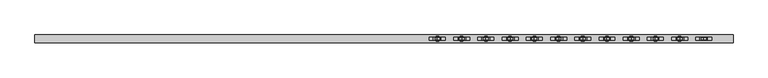
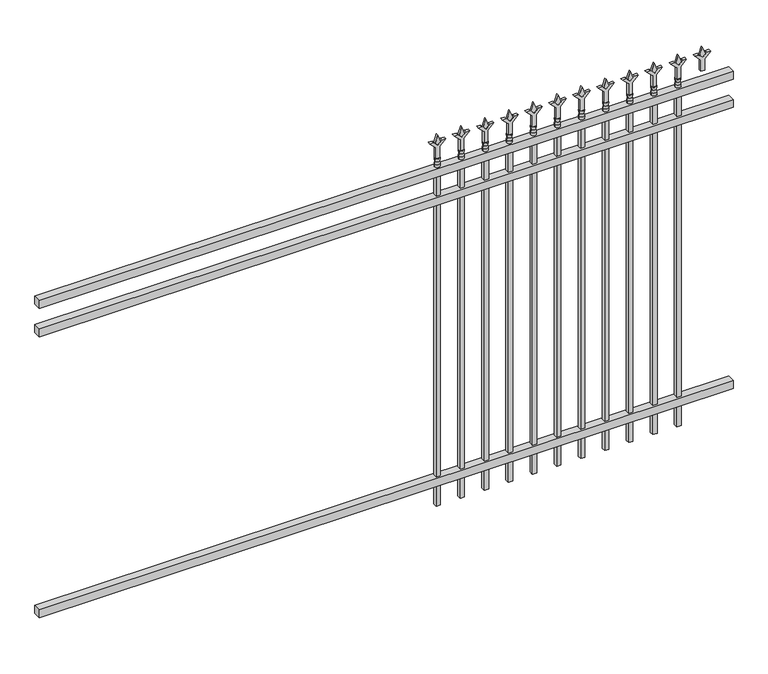
"""IFC4 building model written with IfcOpenShell, lengths in millimetres: railing geometry."""

import ifcopenshell
import ifcopenshell.guid

model = None  # the IFC model being written
_history = None  # IfcOwnerHistory: only IFC2X3 demands one
_inside = {}  # id of a spatial element -> (the spatial element, [elements in it])
_under = {}  # id of a project, library or spatial element -> (it, [spatial elements below it])
_declared = {}  # id of a project -> (the project, [libraries it declares])
_typed = {}  # id of a type object -> (the type object, [elements of that type])
_made_of = {}  # id of a material, layer set ... -> (it, [elements and type objects made of it])


def new_model(schema):
    """Start an empty IFC model of exactly this schema.

    Asked for "IFC4X3", IfcOpenShell would pick the latest addendum, in which some entities
    have other attributes; the version numbers below select the first issue.
    IFC2X3 requires an IfcOwnerHistory on every rooted entity: one is made here for all.
    """
    global model, _history
    if schema == "IFC4X3":
        model = ifcopenshell.file(schema_version=(4, 3, 0, 0))
    else:
        model = ifcopenshell.file(schema=schema)
    _inside.clear()
    _under.clear()
    _declared.clear()
    _typed.clear()
    _made_of.clear()
    _history = None
    if model.schema == "IFC2X3":
        org = make("IfcOrganization", Name="unknown")
        user = make(
            "IfcPersonAndOrganization",
            ThePerson=make("IfcPerson", FamilyName="unknown"),
            TheOrganization=org,
        )
        app = make(
            "IfcApplication",
            ApplicationDeveloper=org,
            Version="unknown",
            ApplicationFullName="unknown",
            ApplicationIdentifier="unknown",
        )
        _history = make(
            "IfcOwnerHistory",
            OwningUser=user,
            OwningApplication=app,
            ChangeAction="ADDED",
            CreationDate=0,
        )
    return model


def make(cls, **values):
    """One entity of the class cls with the attributes given. An attribute that is None is left unset."""
    return model.create_entity(
        cls, **{name: value for name, value in values.items() if value is not None}
    )


def rooted(cls, **values):
    """An entity with a GlobalId (a new one), such as an element, a storey or a relation."""
    return make(cls, GlobalId=ifcopenshell.guid.new(), OwnerHistory=_history, **values)


def si_unit(unit_type, name, prefix=None):
    """IfcSIUnit, for example si_unit("LENGTHUNIT", "METRE", prefix="MILLI")."""
    return make("IfcSIUnit", UnitType=unit_type, Prefix=prefix, Name=name)


def assignment(units):
    """IfcUnitAssignment: the units of a project."""
    return None if units is None else make("IfcUnitAssignment", Units=units)


def point(xyz):
    """IfcCartesianPoint."""
    return None if xyz is None else make("IfcCartesianPoint", Coordinates=xyz)


def direction(xyz):
    """IfcDirection."""
    return None if xyz is None else make("IfcDirection", DirectionRatios=xyz)


def frame(location, z_axis=None, x_axis=None):
    """IfcAxis2Placement3D, a coordinate frame: its origin and axes. An axis left out is left unset."""
    return make(
        "IfcAxis2Placement3D",
        Location=point(location),
        Axis=direction(z_axis),
        RefDirection=direction(x_axis),
    )


def origin():
    """The frame at (0, 0, 0) with its axes left unset."""
    return frame((0.0, 0.0, 0.0))


def place(relative_to, where):
    """IfcLocalPlacement: puts the frame where relative to a parent placement (None: the world)."""
    return make(
        "IfcLocalPlacement", PlacementRelTo=relative_to, RelativePlacement=where
    )


def context(
    kind, dimensions, precision=None, world=None, true_north=None, identifier=None
):
    """IfcGeometricRepresentationContext, for example the 3D "Model" context."""
    return make(
        "IfcGeometricRepresentationContext",
        ContextIdentifier=identifier,
        ContextType=kind,
        CoordinateSpaceDimension=dimensions,
        Precision=precision,
        WorldCoordinateSystem=world,
        TrueNorth=true_north,
    )


def project(units=None, contexts=None):
    """IfcProject with its units and contexts."""
    return rooted(
        "IfcProject",
        Name="project",
        RepresentationContexts=contexts,
        UnitsInContext=assignment(units),
    )


def spatial(cls, under=None, at=None, **own):
    """A site, building, storey or space (cls), placed at a placement, below another one or the project."""
    s = rooted(cls, ObjectPlacement=at, **own)
    if under is not None:
        _under.setdefault(under.id(), (under, []))[1].append(s)
    return s


def polyline(points):
    """IfcPolyline through the points."""
    return make("IfcPolyline", Points=[point(p) for p in points])


def circle_curve(where, radius):
    """IfcCircle in the frame where."""
    return make("IfcCircle", Position=where, Radius=radius)


def outline(outer, holes=None, kind="AREA"):
    """IfcArbitraryClosedProfileDef: a profile drawn as a closed curve; with holes, ...WithVoids."""
    if holes is None:
        return make("IfcArbitraryClosedProfileDef", ProfileType=kind, OuterCurve=outer)
    return make(
        "IfcArbitraryProfileDefWithVoids",
        ProfileType=kind,
        OuterCurve=outer,
        InnerCurves=holes,
    )


def extrude(swept, where, along, depth):
    """IfcExtrudedAreaSolid: the profile swept, set in the frame where, extruded along a direction by depth."""
    return make(
        "IfcExtrudedAreaSolid",
        SweptArea=swept,
        Position=where,
        ExtrudedDirection=direction(along),
        Depth=depth,
    )


def shape(context_of_items, identifier, shape_type, items):
    """IfcShapeRepresentation: the items that make up one representation, for example the "Body"."""
    return make(
        "IfcShapeRepresentation",
        ContextOfItems=context_of_items,
        RepresentationIdentifier=identifier,
        RepresentationType=shape_type,
        Items=items,
    )


def source(mapping_origin, context_of_items, identifier, shape_type, items):
    """IfcRepresentationMap: a shape defined once, which mapped items show again and again."""
    return make(
        "IfcRepresentationMap",
        MappingOrigin=mapping_origin,
        MappedRepresentation=shape(context_of_items, identifier, shape_type, items),
    )


def transform(
    local_origin,
    x_axis=None,
    y_axis=None,
    z_axis=None,
    scale=None,
    scale2=None,
    scale3=None,
    uniform=True,
):
    """IfcCartesianTransformationOperator3D, or its non-uniform kind. x_axis, y_axis, z_axis: its Axis1, 2, 3."""
    if uniform:
        return make(
            "IfcCartesianTransformationOperator3D",
            Axis1=direction(x_axis),
            Axis2=direction(y_axis),
            LocalOrigin=point(local_origin),
            Scale=scale,
            Axis3=direction(z_axis),
        )
    return make(
        "IfcCartesianTransformationOperator3DnonUniform",
        Axis1=direction(x_axis),
        Axis2=direction(y_axis),
        LocalOrigin=point(local_origin),
        Scale=scale,
        Axis3=direction(z_axis),
        Scale2=scale2,
        Scale3=scale3,
    )


def mapped(mapping_source, mapping_target):
    """IfcMappedItem: shows the shape of a source again, moved by a transform."""
    return make(
        "IfcMappedItem", MappingSource=mapping_source, MappingTarget=mapping_target
    )


def made_of(thing, what):
    """Note that an element or type object is made of a material, layer set ...; save() writes the relation."""
    if what is not None:
        _made_of.setdefault(what.id(), (what, []))[1].append(thing)
    return thing


def element(
    cls,
    number,
    at=None,
    inside=None,
    cuts=None,
    type_object=None,
    material=None,
    context=None,
    identifier="Body",
    shape_type=None,
    held_by="IfcProductDefinitionShape",
    body=None,
    shapes=None,
    **own,
):
    """One element of the class cls, such as IfcWall. Its Tag is "e" and its number.

    at: its placement. inside: the storey or other place that contains it. cuts: it is an
    opening in that element (IfcRelVoidsElement). A single representation is given by context,
    identifier, shape_type and body (its items); several are given by shapes. held_by: the class
    of the entity that holds the representations. save() writes the other relations.
    """
    e = rooted(cls, Tag="e%d" % number, ObjectPlacement=at, **own)
    if body is not None:
        shapes = [shape(context, identifier, shape_type, body)]
    if shapes is not None:
        e.Representation = make(held_by, Representations=shapes)
    if inside is not None:
        _inside.setdefault(inside.id(), (inside, []))[1].append(e)
    if cuts is not None:
        rooted(
            "IfcRelVoidsElement", RelatingBuildingElement=cuts, RelatedOpeningElement=e
        )
    if type_object is not None:
        _typed.setdefault(type_object.id(), (type_object, []))[1].append(e)
    return made_of(e, material)


def aggregate(whole, parts):
    """IfcRelAggregates: a whole, such as a stair, and the parts it consists of."""
    return rooted("IfcRelAggregates", RelatingObject=whole, RelatedObjects=parts)


def save(model, path):
    """Write the relations noted so far, then the file.

    IfcRelAggregates (storeys below a building ...), IfcRelContainedInSpatialStructure (elements
    in a storey), IfcRelDefinesByType, IfcRelAssociatesMaterial and IfcRelDeclares: one each for
    every whole, place, type object, material and project.
    """
    for whole, parts in _under.values():
        aggregate(whole, parts)
    for where, things in _inside.values():
        rooted(
            "IfcRelContainedInSpatialStructure",
            RelatedElements=things,
            RelatingStructure=where,
        )
    for kind, things in _typed.values():
        rooted("IfcRelDefinesByType", RelatedObjects=things, RelatingType=kind)
    for what, things in _made_of.values():
        rooted("IfcRelAssociatesMaterial", RelatedObjects=things, RelatingMaterial=what)
    for by, libraries in _declared.values():
        rooted("IfcRelDeclares", RelatingContext=by, RelatedDefinitions=libraries)
    model.write(path)


def plane_surface(at):
    """IfcPlane: the flat surface through the origin of the frame at, square to its z axis."""
    return make("IfcPlane", Position=at)


def cylinder_surface(at, radius):
    """IfcCylindricalSurface: all points at the distance radius from the z axis of the frame at."""
    return make("IfcCylindricalSurface", Position=at, Radius=radius)


def revolved_surface(curve, axis_point, axis_direction):
    """IfcSurfaceOfRevolution: the curve turned about the line through axis_point along axis_direction."""
    return make(
        "IfcSurfaceOfRevolution",
        SweptCurve=make("IfcArbitraryOpenProfileDef", ProfileType="CURVE", Curve=curve),
        AxisPosition=make("IfcAxis1Placement", Location=point(axis_point), Axis=direction(axis_direction)),
    )


def advanced_brep(points, edges, surfaces, faces):
    """IfcAdvancedBrep: a solid bounded by faces that lie on surfaces and meet in shared edges.

    An edge is (start, end): straight between two places in points (the first is 0);
    or (start, end, curve); or (start, end, curve, False) where it runs against its curve.
    A face is (place in surfaces, loops), or (place, loops, False) where it looks against
    its surface's normal. A loop lists edges by number (the first is 1), with a minus sign
    where the edge is run from its end to its start. The first loop is the outer one.
    """
    corners = [point(p) for p in points]
    vertices = [make("IfcVertexPoint", VertexGeometry=c) for c in corners]
    made = []
    for start, end, *more in edges:
        made.append(
            make(
                "IfcEdgeCurve",
                EdgeStart=vertices[start],
                EdgeEnd=vertices[end],
                EdgeGeometry=more[0] if more else make("IfcPolyline", Points=[corners[start], corners[end]]),
                SameSense=more[1] if len(more) > 1 else True,
            )
        )
    hull = []
    for where, loops, *sense in faces:
        bounds = []
        for j, loop in enumerate(loops):
            ring = [make("IfcOrientedEdge", EdgeElement=made[abs(k) - 1], Orientation=k > 0) for k in loop]
            bounds.append(
                make(
                    "IfcFaceOuterBound" if j == 0 else "IfcFaceBound",
                    Bound=make("IfcEdgeLoop", EdgeList=ring),
                    Orientation=True,
                )
            )
        hull.append(make("IfcAdvancedFace", Bounds=bounds, FaceSurface=surfaces[where], SameSense=sense[0] if sense else True))
    return make("IfcAdvancedBrep", Outer=make("IfcClosedShell", CfsFaces=hull))


def railing_673651c0(model_context):
    return source(origin(), model_context, "Body", "SolidModel", [
        extrude(outline(polyline([(-67441.318087, -3091.1195174), (-67441.318087, -3056.1945174), (-64291.718087, -3056.1945174), (-64291.718087, -3091.1195174), (-67441.318087, -3091.1195174)])), frame((0.0, 0.0, 1638.3), z_axis=(0.0, 0.0, 1.0), x_axis=(1.0, 0.0, 0.0)), (0.0, 0.0, 1.0), 38.1),
        extrude(outline(polyline([(-67441.318087, -3091.1195174), (-67441.318087, -3056.1945174), (-64291.718087, -3056.1945174), (-64291.718087, -3091.1195174), (-67441.318087, -3091.1195174)])), frame((0.0, 0.0, 1501.775), z_axis=(0.0, 0.0, 1.0), x_axis=(1.0, 0.0, 0.0)), (0.0, 0.0, 1.0), 38.1),
        extrude(outline(polyline([(-67441.318087, -3091.1195174), (-67441.318087, -3056.1945174), (-64291.718087, -3056.1945174), (-64291.718087, -3091.1195174), (-67441.318087, -3091.1195174)])), frame((0.0, 0.0, 152.4), z_axis=(0.0, 0.0, 1.0), x_axis=(1.0, 0.0, 0.0)), (0.0, 0.0, 1.0), 38.1),
        extrude(outline(polyline([(1793.08125, -64520.8472536), (1828.8, -64532.7535036), (1793.08125, -64544.6597536), (1781.175, -64532.7535036), (1793.08125, -64520.8472536)])), frame((0.0, -3078.4195174, 0.0), z_axis=(0.0, 1.0, 0.0), x_axis=(0.0, 0.0, 1.0)), (0.0, 0.0, 1.0), 9.525),
        extrude(outline(polyline([(1717.675, -64524.0222536), (1771.9457378, -64524.0222536), (1799.1355122, -64496.8324791), (1799.1355122, -64514.7929914), (1781.175, -64532.7535036), (1799.1355122, -64550.7140159), (1799.1355122, -64568.6745281), (1771.9457378, -64541.4847536), (1717.675, -64541.4847536), (1717.675, -64524.0222536)])), frame((0.0, -3080.0070174, 0.0), z_axis=(0.0, 1.0, 0.0), x_axis=(0.0, 0.0, 1.0)), (0.0, 0.0, 1.0), 12.7),
        advanced_brep(
        [(-64520.8472536, -3073.6570174, 1689.1), (-64544.6597536, -3073.6570174, 1689.1), (-64544.6597536, -3073.6570174, 1676.4), (-64520.8472536, -3073.6570174, 1676.4), (-64523.0525855, -3073.6570174, 1701.6070585), (-64542.4544218, -3073.6570174, 1701.6070585), (-64520.8472536, -3073.6570174, 1717.675), (-64544.6597536, -3073.6570174, 1717.675), (-64532.7535036, -3073.6570174, 1717.675), (-64532.7535036, -3073.6570174, 1676.4)],
        [
            (0, 1, circle_curve(frame((-64532.7535036, -3073.6570174, 1689.1), z_axis=(0.0, 0.0, -1.0), x_axis=(-1.0, 0.0, 0.0)), 11.90625)),
            (1, 2),
            (2, 3, circle_curve(frame((-64532.7535036, -3073.6570174, 1676.4), z_axis=(0.0, 0.0, 1.0), x_axis=(-1.0, 0.0, 0.0)), 11.90625)),
            (3, 0),
            (1, 0, circle_curve(frame((-64532.7535036, -3073.6570174, 1689.1), z_axis=(0.0, 0.0, -1.0), x_axis=(-1.0, 0.0, 0.0)), 11.90625)),
            (3, 2, circle_curve(frame((-64532.7535036, -3073.6570174, 1676.4), z_axis=(0.0, 0.0, 1.0), x_axis=(-1.0, 0.0, 0.0)), 11.90625)),
            (4, 5, circle_curve(frame((-64532.7535036, -3073.6570174, 1701.6070585), z_axis=(0.0, 0.0, -1.0), x_axis=(-1.0, 0.0, 0.0)), 9.7009181)),
            (5, 1),
            (0, 4),
            (5, 4, circle_curve(frame((-64532.7535036, -3073.6570174, 1701.6070585), z_axis=(0.0, 0.0, -1.0), x_axis=(-1.0, 0.0, 0.0)), 9.7009181)),
            (6, 7, circle_curve(frame((-64532.7535036, -3073.6570174, 1717.675), z_axis=(0.0, 0.0, -1.0), x_axis=(-1.0, 0.0, 0.0)), 11.90625)),
            (7, 5),
            (4, 6),
            (7, 6, circle_curve(frame((-64532.7535036, -3073.6570174, 1717.675), z_axis=(0.0, 0.0, -1.0), x_axis=(-1.0, 0.0, 0.0)), 11.90625)),
            (8, 7),
            (6, 8),
            (2, 9),
            (9, 3),
        ],
        [
            cylinder_surface(frame((-64532.7535036, -3073.6570174, 1676.4), z_axis=(0.0, 0.0, 1.0), x_axis=(-1.0, 0.0, 0.0)), 11.90625),
            revolved_surface(polyline([(-64544.6597536, -3073.6570174, 1689.1), (-64542.4544218, -3073.6570174, 1701.6070585)]), (-64532.7535036, -3073.6570174, 1676.4), (0.0, 0.0, 1.0)),
            revolved_surface(polyline([(-64542.4544218, -3073.6570174, 1701.6070585), (-64544.6597536, -3073.6570174, 1717.675)]), (-64532.7535036, -3073.6570174, 1676.4), (0.0, 0.0, 1.0)),
            plane_surface(frame((-64532.7535036, -3073.6570174, 1717.675), z_axis=(0.0, 0.0, 1.0), x_axis=(-1.0, 0.0, 0.0))),
            plane_surface(frame((-64532.7535036, -3073.6570174, 1676.4), z_axis=(0.0, 0.0, -1.0), x_axis=(-1.0, 0.0, 0.0))),
        ],
        [
            (0, [[1, 2, 3, 4]]),
            (0, [[5, -4, 6, -2]]),
            (1, [[7, 8, -1, 9]]),
            (1, [[10, -9, -5, -8]]),
            (2, [[11, 12, -7, 13]]),
            (2, [[14, -13, -10, -12]]),
            (3, [[15, -11, 16]]),
            (3, [[-16, -14, -15]]),
            (4, [[-3, 17, 18]]),
            (4, [[-6, -18, -17]]),
        ],
    ),
        extrude(outline(polyline([(-64542.2785036, -3064.1320174), (-64523.2285036, -3064.1320174), (-64523.2285036, -3083.1820174), (-64542.2785036, -3083.1820174), (-64542.2785036, -3064.1320174)])), frame((0.0, 0.0, 50.8), z_axis=(0.0, 0.0, 1.0), x_axis=(1.0, 0.0, 0.0)), (0.0, 0.0, 1.0), 1625.6),
        extrude(outline(polyline([(1793.08125, -64630.1201703), (1828.8, -64642.0264203), (1793.08125, -64653.9326703), (1781.175, -64642.0264203), (1793.08125, -64630.1201703)])), frame((0.0, -3078.4195174, 0.0), z_axis=(0.0, 1.0, 0.0), x_axis=(0.0, 0.0, 1.0)), (0.0, 0.0, 1.0), 9.525),
        extrude(outline(polyline([(1717.675, -64633.2951703), (1771.9457378, -64633.2951703), (1799.1355122, -64606.1053958), (1799.1355122, -64624.0659081), (1781.175, -64642.0264203), (1799.1355122, -64659.9869325), (1799.1355122, -64677.9474448), (1771.9457378, -64650.7576703), (1717.675, -64650.7576703), (1717.675, -64633.2951703)])), frame((0.0, -3080.0070174, 0.0), z_axis=(0.0, 1.0, 0.0), x_axis=(0.0, 0.0, 1.0)), (0.0, 0.0, 1.0), 12.7),
        advanced_brep(
        [(-64630.1201703, -3073.6570174, 1689.1), (-64653.9326703, -3073.6570174, 1689.1), (-64653.9326703, -3073.6570174, 1676.4), (-64630.1201703, -3073.6570174, 1676.4), (-64632.3255022, -3073.6570174, 1701.6070585), (-64651.7273384, -3073.6570174, 1701.6070585), (-64630.1201703, -3073.6570174, 1717.675), (-64653.9326703, -3073.6570174, 1717.675), (-64642.0264203, -3073.6570174, 1717.675), (-64642.0264203, -3073.6570174, 1676.4)],
        [
            (0, 1, circle_curve(frame((-64642.0264203, -3073.6570174, 1689.1), z_axis=(0.0, 0.0, -1.0), x_axis=(-1.0, 0.0, 0.0)), 11.90625)),
            (1, 2),
            (2, 3, circle_curve(frame((-64642.0264203, -3073.6570174, 1676.4), z_axis=(0.0, 0.0, 1.0), x_axis=(-1.0, 0.0, 0.0)), 11.90625)),
            (3, 0),
            (1, 0, circle_curve(frame((-64642.0264203, -3073.6570174, 1689.1), z_axis=(0.0, 0.0, -1.0), x_axis=(-1.0, 0.0, 0.0)), 11.90625)),
            (3, 2, circle_curve(frame((-64642.0264203, -3073.6570174, 1676.4), z_axis=(0.0, 0.0, 1.0), x_axis=(-1.0, 0.0, 0.0)), 11.90625)),
            (4, 5, circle_curve(frame((-64642.0264203, -3073.6570174, 1701.6070585), z_axis=(0.0, 0.0, -1.0), x_axis=(-1.0, 0.0, 0.0)), 9.7009181)),
            (5, 1),
            (0, 4),
            (5, 4, circle_curve(frame((-64642.0264203, -3073.6570174, 1701.6070585), z_axis=(0.0, 0.0, -1.0), x_axis=(-1.0, 0.0, 0.0)), 9.7009181)),
            (6, 7, circle_curve(frame((-64642.0264203, -3073.6570174, 1717.675), z_axis=(0.0, 0.0, -1.0), x_axis=(-1.0, 0.0, 0.0)), 11.90625)),
            (7, 5),
            (4, 6),
            (7, 6, circle_curve(frame((-64642.0264203, -3073.6570174, 1717.675), z_axis=(0.0, 0.0, -1.0), x_axis=(-1.0, 0.0, 0.0)), 11.90625)),
            (8, 7),
            (6, 8),
            (2, 9),
            (9, 3),
        ],
        [
            cylinder_surface(frame((-64642.0264203, -3073.6570174, 1676.4), z_axis=(0.0, 0.0, 1.0), x_axis=(-1.0, 0.0, 0.0)), 11.90625),
            revolved_surface(polyline([(-64653.9326703, -3073.6570174, 1689.1), (-64651.7273384, -3073.6570174, 1701.6070585)]), (-64642.0264203, -3073.6570174, 1676.4), (0.0, 0.0, 1.0)),
            revolved_surface(polyline([(-64651.7273384, -3073.6570174, 1701.6070585), (-64653.9326703, -3073.6570174, 1717.675)]), (-64642.0264203, -3073.6570174, 1676.4), (0.0, 0.0, 1.0)),
            plane_surface(frame((-64642.0264203, -3073.6570174, 1717.675), z_axis=(0.0, 0.0, 1.0), x_axis=(-1.0, 0.0, 0.0))),
            plane_surface(frame((-64642.0264203, -3073.6570174, 1676.4), z_axis=(0.0, 0.0, -1.0), x_axis=(-1.0, 0.0, 0.0))),
        ],
        [
            (0, [[1, 2, 3, 4]]),
            (0, [[5, -4, 6, -2]]),
            (1, [[7, 8, -1, 9]]),
            (1, [[10, -9, -5, -8]]),
            (2, [[11, 12, -7, 13]]),
            (2, [[14, -13, -10, -12]]),
            (3, [[15, -11, 16]]),
            (3, [[-16, -14, -15]]),
            (4, [[-3, 17, 18]]),
            (4, [[-6, -18, -17]]),
        ],
    ),
        extrude(outline(polyline([(-64651.5514203, -3064.1320174), (-64632.5014203, -3064.1320174), (-64632.5014203, -3083.1820174), (-64651.5514203, -3083.1820174), (-64651.5514203, -3064.1320174)])), frame((0.0, 0.0, 50.8), z_axis=(0.0, 0.0, 1.0), x_axis=(1.0, 0.0, 0.0)), (0.0, 0.0, 1.0), 1625.6),
        extrude(outline(polyline([(1793.08125, -64739.393087), (1828.8, -64751.299337), (1793.08125, -64763.205587), (1781.175, -64751.299337), (1793.08125, -64739.393087)])), frame((0.0, -3078.4195174, 0.0), z_axis=(0.0, 1.0, 0.0), x_axis=(0.0, 0.0, 1.0)), (0.0, 0.0, 1.0), 9.525),
        extrude(outline(polyline([(1717.675, -64742.568087), (1771.9457378, -64742.568087), (1799.1355122, -64715.3783125), (1799.1355122, -64733.3388247), (1781.175, -64751.299337), (1799.1355122, -64769.2598492), (1799.1355122, -64787.2203614), (1771.9457378, -64760.030587), (1717.675, -64760.030587), (1717.675, -64742.568087)])), frame((0.0, -3080.0070174, 0.0), z_axis=(0.0, 1.0, 0.0), x_axis=(0.0, 0.0, 1.0)), (0.0, 0.0, 1.0), 12.7),
        advanced_brep(
        [(-64739.393087, -3073.6570174, 1689.1), (-64763.205587, -3073.6570174, 1689.1), (-64763.205587, -3073.6570174, 1676.4), (-64739.393087, -3073.6570174, 1676.4), (-64741.5984188, -3073.6570174, 1701.6070585), (-64761.0002551, -3073.6570174, 1701.6070585), (-64739.393087, -3073.6570174, 1717.675), (-64763.205587, -3073.6570174, 1717.675), (-64751.299337, -3073.6570174, 1717.675), (-64751.299337, -3073.6570174, 1676.4)],
        [
            (0, 1, circle_curve(frame((-64751.299337, -3073.6570174, 1689.1), z_axis=(0.0, 0.0, -1.0), x_axis=(-1.0, 0.0, 0.0)), 11.90625)),
            (1, 2),
            (2, 3, circle_curve(frame((-64751.299337, -3073.6570174, 1676.4), z_axis=(0.0, 0.0, 1.0), x_axis=(-1.0, 0.0, 0.0)), 11.90625)),
            (3, 0),
            (1, 0, circle_curve(frame((-64751.299337, -3073.6570174, 1689.1), z_axis=(0.0, 0.0, -1.0), x_axis=(-1.0, 0.0, 0.0)), 11.90625)),
            (3, 2, circle_curve(frame((-64751.299337, -3073.6570174, 1676.4), z_axis=(0.0, 0.0, 1.0), x_axis=(-1.0, 0.0, 0.0)), 11.90625)),
            (4, 5, circle_curve(frame((-64751.299337, -3073.6570174, 1701.6070585), z_axis=(0.0, 0.0, -1.0), x_axis=(-1.0, 0.0, 0.0)), 9.7009181)),
            (5, 1),
            (0, 4),
            (5, 4, circle_curve(frame((-64751.299337, -3073.6570174, 1701.6070585), z_axis=(0.0, 0.0, -1.0), x_axis=(-1.0, 0.0, 0.0)), 9.7009181)),
            (6, 7, circle_curve(frame((-64751.299337, -3073.6570174, 1717.675), z_axis=(0.0, 0.0, -1.0), x_axis=(-1.0, 0.0, 0.0)), 11.90625)),
            (7, 5),
            (4, 6),
            (7, 6, circle_curve(frame((-64751.299337, -3073.6570174, 1717.675), z_axis=(0.0, 0.0, -1.0), x_axis=(-1.0, 0.0, 0.0)), 11.90625)),
            (8, 7),
            (6, 8),
            (2, 9),
            (9, 3),
        ],
        [
            cylinder_surface(frame((-64751.299337, -3073.6570174, 1676.4), z_axis=(0.0, 0.0, 1.0), x_axis=(-1.0, 0.0, 0.0)), 11.90625),
            revolved_surface(polyline([(-64763.205587, -3073.6570174, 1689.1), (-64761.0002551, -3073.6570174, 1701.6070585)]), (-64751.299337, -3073.6570174, 1676.4), (0.0, 0.0, 1.0)),
            revolved_surface(polyline([(-64761.0002551, -3073.6570174, 1701.6070585), (-64763.205587, -3073.6570174, 1717.675)]), (-64751.299337, -3073.6570174, 1676.4), (0.0, 0.0, 1.0)),
            plane_surface(frame((-64751.299337, -3073.6570174, 1717.675), z_axis=(0.0, 0.0, 1.0), x_axis=(-1.0, 0.0, 0.0))),
            plane_surface(frame((-64751.299337, -3073.6570174, 1676.4), z_axis=(0.0, 0.0, -1.0), x_axis=(-1.0, 0.0, 0.0))),
        ],
        [
            (0, [[1, 2, 3, 4]]),
            (0, [[5, -4, 6, -2]]),
            (1, [[7, 8, -1, 9]]),
            (1, [[10, -9, -5, -8]]),
            (2, [[11, 12, -7, 13]]),
            (2, [[14, -13, -10, -12]]),
            (3, [[15, -11, 16]]),
            (3, [[-16, -14, -15]]),
            (4, [[-3, 17, 18]]),
            (4, [[-6, -18, -17]]),
        ],
    ),
        extrude(outline(polyline([(-64760.824337, -3064.1320174), (-64741.774337, -3064.1320174), (-64741.774337, -3083.1820174), (-64760.824337, -3083.1820174), (-64760.824337, -3064.1320174)])), frame((0.0, 0.0, 50.8), z_axis=(0.0, 0.0, 1.0), x_axis=(1.0, 0.0, 0.0)), (0.0, 0.0, 1.0), 1625.6),
        extrude(outline(polyline([(1793.08125, -64848.6660036), (1828.8, -64860.5722536), (1793.08125, -64872.4785036), (1781.175, -64860.5722536), (1793.08125, -64848.6660036)])), frame((0.0, -3078.4195174, 0.0), z_axis=(0.0, 1.0, 0.0), x_axis=(0.0, 0.0, 1.0)), (0.0, 0.0, 1.0), 9.525),
        extrude(outline(polyline([(1717.675, -64851.8410036), (1771.9457378, -64851.8410036), (1799.1355122, -64824.6512291), (1799.1355122, -64842.6117414), (1781.175, -64860.5722536), (1799.1355122, -64878.5327659), (1799.1355122, -64896.4932781), (1771.9457378, -64869.3035036), (1717.675, -64869.3035036), (1717.675, -64851.8410036)])), frame((0.0, -3080.0070174, 0.0), z_axis=(0.0, 1.0, 0.0), x_axis=(0.0, 0.0, 1.0)), (0.0, 0.0, 1.0), 12.7),
        advanced_brep(
        [(-64848.6660036, -3073.6570174, 1689.1), (-64872.4785036, -3073.6570174, 1689.1), (-64872.4785036, -3073.6570174, 1676.4), (-64848.6660036, -3073.6570174, 1676.4), (-64850.8713355, -3073.6570174, 1701.6070585), (-64870.2731718, -3073.6570174, 1701.6070585), (-64848.6660036, -3073.6570174, 1717.675), (-64872.4785036, -3073.6570174, 1717.675), (-64860.5722536, -3073.6570174, 1717.675), (-64860.5722536, -3073.6570174, 1676.4)],
        [
            (0, 1, circle_curve(frame((-64860.5722536, -3073.6570174, 1689.1), z_axis=(0.0, 0.0, -1.0), x_axis=(-1.0, 0.0, 0.0)), 11.90625)),
            (1, 2),
            (2, 3, circle_curve(frame((-64860.5722536, -3073.6570174, 1676.4), z_axis=(0.0, 0.0, 1.0), x_axis=(-1.0, 0.0, 0.0)), 11.90625)),
            (3, 0),
            (1, 0, circle_curve(frame((-64860.5722536, -3073.6570174, 1689.1), z_axis=(0.0, 0.0, -1.0), x_axis=(-1.0, 0.0, 0.0)), 11.90625)),
            (3, 2, circle_curve(frame((-64860.5722536, -3073.6570174, 1676.4), z_axis=(0.0, 0.0, 1.0), x_axis=(-1.0, 0.0, 0.0)), 11.90625)),
            (4, 5, circle_curve(frame((-64860.5722536, -3073.6570174, 1701.6070585), z_axis=(0.0, 0.0, -1.0), x_axis=(-1.0, 0.0, 0.0)), 9.7009181)),
            (5, 1),
            (0, 4),
            (5, 4, circle_curve(frame((-64860.5722536, -3073.6570174, 1701.6070585), z_axis=(0.0, 0.0, -1.0), x_axis=(-1.0, 0.0, 0.0)), 9.7009181)),
            (6, 7, circle_curve(frame((-64860.5722536, -3073.6570174, 1717.675), z_axis=(0.0, 0.0, -1.0), x_axis=(-1.0, 0.0, 0.0)), 11.90625)),
            (7, 5),
            (4, 6),
            (7, 6, circle_curve(frame((-64860.5722536, -3073.6570174, 1717.675), z_axis=(0.0, 0.0, -1.0), x_axis=(-1.0, 0.0, 0.0)), 11.90625)),
            (8, 7),
            (6, 8),
            (2, 9),
            (9, 3),
        ],
        [
            cylinder_surface(frame((-64860.5722536, -3073.6570174, 1676.4), z_axis=(0.0, 0.0, 1.0), x_axis=(-1.0, 0.0, 0.0)), 11.90625),
            revolved_surface(polyline([(-64872.4785036, -3073.6570174, 1689.1), (-64870.2731718, -3073.6570174, 1701.6070585)]), (-64860.5722536, -3073.6570174, 1676.4), (0.0, 0.0, 1.0)),
            revolved_surface(polyline([(-64870.2731718, -3073.6570174, 1701.6070585), (-64872.4785036, -3073.6570174, 1717.675)]), (-64860.5722536, -3073.6570174, 1676.4), (0.0, 0.0, 1.0)),
            plane_surface(frame((-64860.5722536, -3073.6570174, 1717.675), z_axis=(0.0, 0.0, 1.0), x_axis=(-1.0, 0.0, 0.0))),
            plane_surface(frame((-64860.5722536, -3073.6570174, 1676.4), z_axis=(0.0, 0.0, -1.0), x_axis=(-1.0, 0.0, 0.0))),
        ],
        [
            (0, [[1, 2, 3, 4]]),
            (0, [[5, -4, 6, -2]]),
            (1, [[7, 8, -1, 9]]),
            (1, [[10, -9, -5, -8]]),
            (2, [[11, 12, -7, 13]]),
            (2, [[14, -13, -10, -12]]),
            (3, [[15, -11, 16]]),
            (3, [[-16, -14, -15]]),
            (4, [[-3, 17, 18]]),
            (4, [[-6, -18, -17]]),
        ],
    ),
        extrude(outline(polyline([(-64870.0972536, -3064.1320174), (-64851.0472536, -3064.1320174), (-64851.0472536, -3083.1820174), (-64870.0972536, -3083.1820174), (-64870.0972536, -3064.1320174)])), frame((0.0, 0.0, 50.8), z_axis=(0.0, 0.0, 1.0), x_axis=(1.0, 0.0, 0.0)), (0.0, 0.0, 1.0), 1625.6),
        extrude(outline(polyline([(1793.08125, -64957.9389203), (1828.8, -64969.8451703), (1793.08125, -64981.7514203), (1781.175, -64969.8451703), (1793.08125, -64957.9389203)])), frame((0.0, -3078.4195174, 0.0), z_axis=(0.0, 1.0, 0.0), x_axis=(0.0, 0.0, 1.0)), (0.0, 0.0, 1.0), 9.525),
        extrude(outline(polyline([(1717.675, -64961.1139203), (1771.9457378, -64961.1139203), (1799.1355122, -64933.9241458), (1799.1355122, -64951.8846581), (1781.175, -64969.8451703), (1799.1355122, -64987.8056825), (1799.1355122, -65005.7661948), (1771.9457378, -64978.5764203), (1717.675, -64978.5764203), (1717.675, -64961.1139203)])), frame((0.0, -3080.0070174, 0.0), z_axis=(0.0, 1.0, 0.0), x_axis=(0.0, 0.0, 1.0)), (0.0, 0.0, 1.0), 12.7),
        advanced_brep(
        [(-64957.9389203, -3073.6570174, 1689.1), (-64981.7514203, -3073.6570174, 1689.1), (-64981.7514203, -3073.6570174, 1676.4), (-64957.9389203, -3073.6570174, 1676.4), (-64960.1442522, -3073.6570174, 1701.6070585), (-64979.5460884, -3073.6570174, 1701.6070585), (-64957.9389203, -3073.6570174, 1717.675), (-64981.7514203, -3073.6570174, 1717.675), (-64969.8451703, -3073.6570174, 1717.675), (-64969.8451703, -3073.6570174, 1676.4)],
        [
            (0, 1, circle_curve(frame((-64969.8451703, -3073.6570174, 1689.1), z_axis=(0.0, 0.0, -1.0), x_axis=(-1.0, 0.0, 0.0)), 11.90625)),
            (1, 2),
            (2, 3, circle_curve(frame((-64969.8451703, -3073.6570174, 1676.4), z_axis=(0.0, 0.0, 1.0), x_axis=(-1.0, 0.0, 0.0)), 11.90625)),
            (3, 0),
            (1, 0, circle_curve(frame((-64969.8451703, -3073.6570174, 1689.1), z_axis=(0.0, 0.0, -1.0), x_axis=(-1.0, 0.0, 0.0)), 11.90625)),
            (3, 2, circle_curve(frame((-64969.8451703, -3073.6570174, 1676.4), z_axis=(0.0, 0.0, 1.0), x_axis=(-1.0, 0.0, 0.0)), 11.90625)),
            (4, 5, circle_curve(frame((-64969.8451703, -3073.6570174, 1701.6070585), z_axis=(0.0, 0.0, -1.0), x_axis=(-1.0, 0.0, 0.0)), 9.7009181)),
            (5, 1),
            (0, 4),
            (5, 4, circle_curve(frame((-64969.8451703, -3073.6570174, 1701.6070585), z_axis=(0.0, 0.0, -1.0), x_axis=(-1.0, 0.0, 0.0)), 9.7009181)),
            (6, 7, circle_curve(frame((-64969.8451703, -3073.6570174, 1717.675), z_axis=(0.0, 0.0, -1.0), x_axis=(-1.0, 0.0, 0.0)), 11.90625)),
            (7, 5),
            (4, 6),
            (7, 6, circle_curve(frame((-64969.8451703, -3073.6570174, 1717.675), z_axis=(0.0, 0.0, -1.0), x_axis=(-1.0, 0.0, 0.0)), 11.90625)),
            (8, 7),
            (6, 8),
            (2, 9),
            (9, 3),
        ],
        [
            cylinder_surface(frame((-64969.8451703, -3073.6570174, 1676.4), z_axis=(0.0, 0.0, 1.0), x_axis=(-1.0, 0.0, 0.0)), 11.90625),
            revolved_surface(polyline([(-64981.7514203, -3073.6570174, 1689.1), (-64979.5460884, -3073.6570174, 1701.6070585)]), (-64969.8451703, -3073.6570174, 1676.4), (0.0, 0.0, 1.0)),
            revolved_surface(polyline([(-64979.5460884, -3073.6570174, 1701.6070585), (-64981.7514203, -3073.6570174, 1717.675)]), (-64969.8451703, -3073.6570174, 1676.4), (0.0, 0.0, 1.0)),
            plane_surface(frame((-64969.8451703, -3073.6570174, 1717.675), z_axis=(0.0, 0.0, 1.0), x_axis=(-1.0, 0.0, 0.0))),
            plane_surface(frame((-64969.8451703, -3073.6570174, 1676.4), z_axis=(0.0, 0.0, -1.0), x_axis=(-1.0, 0.0, 0.0))),
        ],
        [
            (0, [[1, 2, 3, 4]]),
            (0, [[5, -4, 6, -2]]),
            (1, [[7, 8, -1, 9]]),
            (1, [[10, -9, -5, -8]]),
            (2, [[11, 12, -7, 13]]),
            (2, [[14, -13, -10, -12]]),
            (3, [[15, -11, 16]]),
            (3, [[-16, -14, -15]]),
            (4, [[-3, 17, 18]]),
            (4, [[-6, -18, -17]]),
        ],
    ),
        extrude(outline(polyline([(-64979.3701703, -3064.1320174), (-64960.3201703, -3064.1320174), (-64960.3201703, -3083.1820174), (-64979.3701703, -3083.1820174), (-64979.3701703, -3064.1320174)])), frame((0.0, 0.0, 50.8), z_axis=(0.0, 0.0, 1.0), x_axis=(1.0, 0.0, 0.0)), (0.0, 0.0, 1.0), 1625.6),
        extrude(outline(polyline([(1793.08125, -65067.211837), (1828.8, -65079.118087), (1793.08125, -65091.024337), (1781.175, -65079.118087), (1793.08125, -65067.211837)])), frame((0.0, -3078.4195174, 0.0), z_axis=(0.0, 1.0, 0.0), x_axis=(0.0, 0.0, 1.0)), (0.0, 0.0, 1.0), 9.525),
        extrude(outline(polyline([(1717.675, -65070.386837), (1771.9457378, -65070.386837), (1799.1355122, -65043.1970625), (1799.1355122, -65061.1575747), (1781.175, -65079.118087), (1799.1355122, -65097.0785992), (1799.1355122, -65115.0391114), (1771.9457378, -65087.849337), (1717.675, -65087.849337), (1717.675, -65070.386837)])), frame((0.0, -3080.0070174, 0.0), z_axis=(0.0, 1.0, 0.0), x_axis=(0.0, 0.0, 1.0)), (0.0, 0.0, 1.0), 12.7),
        advanced_brep(
        [(-65067.211837, -3073.6570174, 1689.1), (-65091.024337, -3073.6570174, 1689.1), (-65091.024337, -3073.6570174, 1676.4), (-65067.211837, -3073.6570174, 1676.4), (-65069.4171688, -3073.6570174, 1701.6070585), (-65088.8190051, -3073.6570174, 1701.6070585), (-65067.211837, -3073.6570174, 1717.675), (-65091.024337, -3073.6570174, 1717.675), (-65079.118087, -3073.6570174, 1717.675), (-65079.118087, -3073.6570174, 1676.4)],
        [
            (0, 1, circle_curve(frame((-65079.118087, -3073.6570174, 1689.1), z_axis=(0.0, 0.0, -1.0), x_axis=(-1.0, 0.0, 0.0)), 11.90625)),
            (1, 2),
            (2, 3, circle_curve(frame((-65079.118087, -3073.6570174, 1676.4), z_axis=(0.0, 0.0, 1.0), x_axis=(-1.0, 0.0, 0.0)), 11.90625)),
            (3, 0),
            (1, 0, circle_curve(frame((-65079.118087, -3073.6570174, 1689.1), z_axis=(0.0, 0.0, -1.0), x_axis=(-1.0, 0.0, 0.0)), 11.90625)),
            (3, 2, circle_curve(frame((-65079.118087, -3073.6570174, 1676.4), z_axis=(0.0, 0.0, 1.0), x_axis=(-1.0, 0.0, 0.0)), 11.90625)),
            (4, 5, circle_curve(frame((-65079.118087, -3073.6570174, 1701.6070585), z_axis=(0.0, 0.0, -1.0), x_axis=(-1.0, 0.0, 0.0)), 9.7009181)),
            (5, 1),
            (0, 4),
            (5, 4, circle_curve(frame((-65079.118087, -3073.6570174, 1701.6070585), z_axis=(0.0, 0.0, -1.0), x_axis=(-1.0, 0.0, 0.0)), 9.7009181)),
            (6, 7, circle_curve(frame((-65079.118087, -3073.6570174, 1717.675), z_axis=(0.0, 0.0, -1.0), x_axis=(-1.0, 0.0, 0.0)), 11.90625)),
            (7, 5),
            (4, 6),
            (7, 6, circle_curve(frame((-65079.118087, -3073.6570174, 1717.675), z_axis=(0.0, 0.0, -1.0), x_axis=(-1.0, 0.0, 0.0)), 11.90625)),
            (8, 7),
            (6, 8),
            (2, 9),
            (9, 3),
        ],
        [
            cylinder_surface(frame((-65079.118087, -3073.6570174, 1676.4), z_axis=(0.0, 0.0, 1.0), x_axis=(-1.0, 0.0, 0.0)), 11.90625),
            revolved_surface(polyline([(-65091.024337, -3073.6570174, 1689.1), (-65088.8190051, -3073.6570174, 1701.6070585)]), (-65079.118087, -3073.6570174, 1676.4), (0.0, 0.0, 1.0)),
            revolved_surface(polyline([(-65088.8190051, -3073.6570174, 1701.6070585), (-65091.024337, -3073.6570174, 1717.675)]), (-65079.118087, -3073.6570174, 1676.4), (0.0, 0.0, 1.0)),
            plane_surface(frame((-65079.118087, -3073.6570174, 1717.675), z_axis=(0.0, 0.0, 1.0), x_axis=(-1.0, 0.0, 0.0))),
            plane_surface(frame((-65079.118087, -3073.6570174, 1676.4), z_axis=(0.0, 0.0, -1.0), x_axis=(-1.0, 0.0, 0.0))),
        ],
        [
            (0, [[1, 2, 3, 4]]),
            (0, [[5, -4, 6, -2]]),
            (1, [[7, 8, -1, 9]]),
            (1, [[10, -9, -5, -8]]),
            (2, [[11, 12, -7, 13]]),
            (2, [[14, -13, -10, -12]]),
            (3, [[15, -11, 16]]),
            (3, [[-16, -14, -15]]),
            (4, [[-3, 17, 18]]),
            (4, [[-6, -18, -17]]),
        ],
    ),
        extrude(outline(polyline([(-65088.643087, -3064.1320174), (-65069.593087, -3064.1320174), (-65069.593087, -3083.1820174), (-65088.643087, -3083.1820174), (-65088.643087, -3064.1320174)])), frame((0.0, 0.0, 50.8), z_axis=(0.0, 0.0, 1.0), x_axis=(1.0, 0.0, 0.0)), (0.0, 0.0, 1.0), 1625.6),
        extrude(outline(polyline([(1793.08125, -65176.4847536), (1828.8, -65188.3910036), (1793.08125, -65200.2972536), (1781.175, -65188.3910036), (1793.08125, -65176.4847536)])), frame((0.0, -3078.4195174, 0.0), z_axis=(0.0, 1.0, 0.0), x_axis=(0.0, 0.0, 1.0)), (0.0, 0.0, 1.0), 9.525),
        extrude(outline(polyline([(1717.675, -65179.6597536), (1771.9457378, -65179.6597536), (1799.1355122, -65152.4699791), (1799.1355122, -65170.4304914), (1781.175, -65188.3910036), (1799.1355122, -65206.3515159), (1799.1355122, -65224.3120281), (1771.9457378, -65197.1222536), (1717.675, -65197.1222536), (1717.675, -65179.6597536)])), frame((0.0, -3080.0070174, 0.0), z_axis=(0.0, 1.0, 0.0), x_axis=(0.0, 0.0, 1.0)), (0.0, 0.0, 1.0), 12.7),
        advanced_brep(
        [(-65176.4847536, -3073.6570174, 1689.1), (-65200.2972536, -3073.6570174, 1689.1), (-65200.2972536, -3073.6570174, 1676.4), (-65176.4847536, -3073.6570174, 1676.4), (-65178.6900855, -3073.6570174, 1701.6070585), (-65198.0919218, -3073.6570174, 1701.6070585), (-65176.4847536, -3073.6570174, 1717.675), (-65200.2972536, -3073.6570174, 1717.675), (-65188.3910036, -3073.6570174, 1717.675), (-65188.3910036, -3073.6570174, 1676.4)],
        [
            (0, 1, circle_curve(frame((-65188.3910036, -3073.6570174, 1689.1), z_axis=(0.0, 0.0, -1.0), x_axis=(-1.0, 0.0, 0.0)), 11.90625)),
            (1, 2),
            (2, 3, circle_curve(frame((-65188.3910036, -3073.6570174, 1676.4), z_axis=(0.0, 0.0, 1.0), x_axis=(-1.0, 0.0, 0.0)), 11.90625)),
            (3, 0),
            (1, 0, circle_curve(frame((-65188.3910036, -3073.6570174, 1689.1), z_axis=(0.0, 0.0, -1.0), x_axis=(-1.0, 0.0, 0.0)), 11.90625)),
            (3, 2, circle_curve(frame((-65188.3910036, -3073.6570174, 1676.4), z_axis=(0.0, 0.0, 1.0), x_axis=(-1.0, 0.0, 0.0)), 11.90625)),
            (4, 5, circle_curve(frame((-65188.3910036, -3073.6570174, 1701.6070585), z_axis=(0.0, 0.0, -1.0), x_axis=(-1.0, 0.0, 0.0)), 9.7009181)),
            (5, 1),
            (0, 4),
            (5, 4, circle_curve(frame((-65188.3910036, -3073.6570174, 1701.6070585), z_axis=(0.0, 0.0, -1.0), x_axis=(-1.0, 0.0, 0.0)), 9.7009181)),
            (6, 7, circle_curve(frame((-65188.3910036, -3073.6570174, 1717.675), z_axis=(0.0, 0.0, -1.0), x_axis=(-1.0, 0.0, 0.0)), 11.90625)),
            (7, 5),
            (4, 6),
            (7, 6, circle_curve(frame((-65188.3910036, -3073.6570174, 1717.675), z_axis=(0.0, 0.0, -1.0), x_axis=(-1.0, 0.0, 0.0)), 11.90625)),
            (8, 7),
            (6, 8),
            (2, 9),
            (9, 3),
        ],
        [
            cylinder_surface(frame((-65188.3910036, -3073.6570174, 1676.4), z_axis=(0.0, 0.0, 1.0), x_axis=(-1.0, 0.0, 0.0)), 11.90625),
            revolved_surface(polyline([(-65200.2972536, -3073.6570174, 1689.1), (-65198.0919218, -3073.6570174, 1701.6070585)]), (-65188.3910036, -3073.6570174, 1676.4), (0.0, 0.0, 1.0)),
            revolved_surface(polyline([(-65198.0919218, -3073.6570174, 1701.6070585), (-65200.2972536, -3073.6570174, 1717.675)]), (-65188.3910036, -3073.6570174, 1676.4), (0.0, 0.0, 1.0)),
            plane_surface(frame((-65188.3910036, -3073.6570174, 1717.675), z_axis=(0.0, 0.0, 1.0), x_axis=(-1.0, 0.0, 0.0))),
            plane_surface(frame((-65188.3910036, -3073.6570174, 1676.4), z_axis=(0.0, 0.0, -1.0), x_axis=(-1.0, 0.0, 0.0))),
        ],
        [
            (0, [[1, 2, 3, 4]]),
            (0, [[5, -4, 6, -2]]),
            (1, [[7, 8, -1, 9]]),
            (1, [[10, -9, -5, -8]]),
            (2, [[11, 12, -7, 13]]),
            (2, [[14, -13, -10, -12]]),
            (3, [[15, -11, 16]]),
            (3, [[-16, -14, -15]]),
            (4, [[-3, 17, 18]]),
            (4, [[-6, -18, -17]]),
        ],
    ),
        extrude(outline(polyline([(-65197.9160036, -3064.1320174), (-65178.8660036, -3064.1320174), (-65178.8660036, -3083.1820174), (-65197.9160036, -3083.1820174), (-65197.9160036, -3064.1320174)])), frame((0.0, 0.0, 50.8), z_axis=(0.0, 0.0, 1.0), x_axis=(1.0, 0.0, 0.0)), (0.0, 0.0, 1.0), 1625.6),
        extrude(outline(polyline([(1793.08125, -65285.7576703), (1828.8, -65297.6639203), (1793.08125, -65309.5701703), (1781.175, -65297.6639203), (1793.08125, -65285.7576703)])), frame((0.0, -3078.4195174, 0.0), z_axis=(0.0, 1.0, 0.0), x_axis=(0.0, 0.0, 1.0)), (0.0, 0.0, 1.0), 9.525),
        extrude(outline(polyline([(1717.675, -65288.9326703), (1771.9457378, -65288.9326703), (1799.1355122, -65261.7428958), (1799.1355122, -65279.7034081), (1781.175, -65297.6639203), (1799.1355122, -65315.6244325), (1799.1355122, -65333.5849448), (1771.9457378, -65306.3951703), (1717.675, -65306.3951703), (1717.675, -65288.9326703)])), frame((0.0, -3080.0070174, 0.0), z_axis=(0.0, 1.0, 0.0), x_axis=(0.0, 0.0, 1.0)), (0.0, 0.0, 1.0), 12.7),
        advanced_brep(
        [(-65285.7576703, -3073.6570174, 1689.1), (-65309.5701703, -3073.6570174, 1689.1), (-65309.5701703, -3073.6570174, 1676.4), (-65285.7576703, -3073.6570174, 1676.4), (-65287.9630022, -3073.6570174, 1701.6070585), (-65307.3648384, -3073.6570174, 1701.6070585), (-65285.7576703, -3073.6570174, 1717.675), (-65309.5701703, -3073.6570174, 1717.675), (-65297.6639203, -3073.6570174, 1717.675), (-65297.6639203, -3073.6570174, 1676.4)],
        [
            (0, 1, circle_curve(frame((-65297.6639203, -3073.6570174, 1689.1), z_axis=(0.0, 0.0, -1.0), x_axis=(-1.0, 0.0, 0.0)), 11.90625)),
            (1, 2),
            (2, 3, circle_curve(frame((-65297.6639203, -3073.6570174, 1676.4), z_axis=(0.0, 0.0, 1.0), x_axis=(-1.0, 0.0, 0.0)), 11.90625)),
            (3, 0),
            (1, 0, circle_curve(frame((-65297.6639203, -3073.6570174, 1689.1), z_axis=(0.0, 0.0, -1.0), x_axis=(-1.0, 0.0, 0.0)), 11.90625)),
            (3, 2, circle_curve(frame((-65297.6639203, -3073.6570174, 1676.4), z_axis=(0.0, 0.0, 1.0), x_axis=(-1.0, 0.0, 0.0)), 11.90625)),
            (4, 5, circle_curve(frame((-65297.6639203, -3073.6570174, 1701.6070585), z_axis=(0.0, 0.0, -1.0), x_axis=(-1.0, 0.0, 0.0)), 9.7009181)),
            (5, 1),
            (0, 4),
            (5, 4, circle_curve(frame((-65297.6639203, -3073.6570174, 1701.6070585), z_axis=(0.0, 0.0, -1.0), x_axis=(-1.0, 0.0, 0.0)), 9.7009181)),
            (6, 7, circle_curve(frame((-65297.6639203, -3073.6570174, 1717.675), z_axis=(0.0, 0.0, -1.0), x_axis=(-1.0, 0.0, 0.0)), 11.90625)),
            (7, 5),
            (4, 6),
            (7, 6, circle_curve(frame((-65297.6639203, -3073.6570174, 1717.675), z_axis=(0.0, 0.0, -1.0), x_axis=(-1.0, 0.0, 0.0)), 11.90625)),
            (8, 7),
            (6, 8),
            (2, 9),
            (9, 3),
        ],
        [
            cylinder_surface(frame((-65297.6639203, -3073.6570174, 1676.4), z_axis=(0.0, 0.0, 1.0), x_axis=(-1.0, 0.0, 0.0)), 11.90625),
            revolved_surface(polyline([(-65309.5701703, -3073.6570174, 1689.1), (-65307.3648384, -3073.6570174, 1701.6070585)]), (-65297.6639203, -3073.6570174, 1676.4), (0.0, 0.0, 1.0)),
            revolved_surface(polyline([(-65307.3648384, -3073.6570174, 1701.6070585), (-65309.5701703, -3073.6570174, 1717.675)]), (-65297.6639203, -3073.6570174, 1676.4), (0.0, 0.0, 1.0)),
            plane_surface(frame((-65297.6639203, -3073.6570174, 1717.675), z_axis=(0.0, 0.0, 1.0), x_axis=(-1.0, 0.0, 0.0))),
            plane_surface(frame((-65297.6639203, -3073.6570174, 1676.4), z_axis=(0.0, 0.0, -1.0), x_axis=(-1.0, 0.0, 0.0))),
        ],
        [
            (0, [[1, 2, 3, 4]]),
            (0, [[5, -4, 6, -2]]),
            (1, [[7, 8, -1, 9]]),
            (1, [[10, -9, -5, -8]]),
            (2, [[11, 12, -7, 13]]),
            (2, [[14, -13, -10, -12]]),
            (3, [[15, -11, 16]]),
            (3, [[-16, -14, -15]]),
            (4, [[-3, 17, 18]]),
            (4, [[-6, -18, -17]]),
        ],
    ),
        extrude(outline(polyline([(-65307.1889203, -3064.1320174), (-65288.1389203, -3064.1320174), (-65288.1389203, -3083.1820174), (-65307.1889203, -3083.1820174), (-65307.1889203, -3064.1320174)])), frame((0.0, 0.0, 50.8), z_axis=(0.0, 0.0, 1.0), x_axis=(1.0, 0.0, 0.0)), (0.0, 0.0, 1.0), 1625.6),
        extrude(outline(polyline([(1793.08125, -65395.030587), (1828.8, -65406.936837), (1793.08125, -65418.843087), (1781.175, -65406.936837), (1793.08125, -65395.030587)])), frame((0.0, -3078.4195174, 0.0), z_axis=(0.0, 1.0, 0.0), x_axis=(0.0, 0.0, 1.0)), (0.0, 0.0, 1.0), 9.525),
        extrude(outline(polyline([(1717.675, -65398.205587), (1771.9457378, -65398.205587), (1799.1355122, -65371.0158125), (1799.1355122, -65388.9763247), (1781.175, -65406.936837), (1799.1355122, -65424.8973492), (1799.1355122, -65442.8578614), (1771.9457378, -65415.668087), (1717.675, -65415.668087), (1717.675, -65398.205587)])), frame((0.0, -3080.0070174, 0.0), z_axis=(0.0, 1.0, 0.0), x_axis=(0.0, 0.0, 1.0)), (0.0, 0.0, 1.0), 12.7),
        advanced_brep(
        [(-65395.030587, -3073.6570174, 1689.1), (-65418.843087, -3073.6570174, 1689.1), (-65418.843087, -3073.6570174, 1676.4), (-65395.030587, -3073.6570174, 1676.4), (-65397.2359188, -3073.6570174, 1701.6070585), (-65416.6377551, -3073.6570174, 1701.6070585), (-65395.030587, -3073.6570174, 1717.675), (-65418.843087, -3073.6570174, 1717.675), (-65406.936837, -3073.6570174, 1717.675), (-65406.936837, -3073.6570174, 1676.4)],
        [
            (0, 1, circle_curve(frame((-65406.936837, -3073.6570174, 1689.1), z_axis=(0.0, 0.0, -1.0), x_axis=(-1.0, 0.0, 0.0)), 11.90625)),
            (1, 2),
            (2, 3, circle_curve(frame((-65406.936837, -3073.6570174, 1676.4), z_axis=(0.0, 0.0, 1.0), x_axis=(-1.0, 0.0, 0.0)), 11.90625)),
            (3, 0),
            (1, 0, circle_curve(frame((-65406.936837, -3073.6570174, 1689.1), z_axis=(0.0, 0.0, -1.0), x_axis=(-1.0, 0.0, 0.0)), 11.90625)),
            (3, 2, circle_curve(frame((-65406.936837, -3073.6570174, 1676.4), z_axis=(0.0, 0.0, 1.0), x_axis=(-1.0, 0.0, 0.0)), 11.90625)),
            (4, 5, circle_curve(frame((-65406.936837, -3073.6570174, 1701.6070585), z_axis=(0.0, 0.0, -1.0), x_axis=(-1.0, 0.0, 0.0)), 9.7009181)),
            (5, 1),
            (0, 4),
            (5, 4, circle_curve(frame((-65406.936837, -3073.6570174, 1701.6070585), z_axis=(0.0, 0.0, -1.0), x_axis=(-1.0, 0.0, 0.0)), 9.7009181)),
            (6, 7, circle_curve(frame((-65406.936837, -3073.6570174, 1717.675), z_axis=(0.0, 0.0, -1.0), x_axis=(-1.0, 0.0, 0.0)), 11.90625)),
            (7, 5),
            (4, 6),
            (7, 6, circle_curve(frame((-65406.936837, -3073.6570174, 1717.675), z_axis=(0.0, 0.0, -1.0), x_axis=(-1.0, 0.0, 0.0)), 11.90625)),
            (8, 7),
            (6, 8),
            (2, 9),
            (9, 3),
        ],
        [
            cylinder_surface(frame((-65406.936837, -3073.6570174, 1676.4), z_axis=(0.0, 0.0, 1.0), x_axis=(-1.0, 0.0, 0.0)), 11.90625),
            revolved_surface(polyline([(-65418.843087, -3073.6570174, 1689.1), (-65416.6377551, -3073.6570174, 1701.6070585)]), (-65406.936837, -3073.6570174, 1676.4), (0.0, 0.0, 1.0)),
            revolved_surface(polyline([(-65416.6377551, -3073.6570174, 1701.6070585), (-65418.843087, -3073.6570174, 1717.675)]), (-65406.936837, -3073.6570174, 1676.4), (0.0, 0.0, 1.0)),
            plane_surface(frame((-65406.936837, -3073.6570174, 1717.675), z_axis=(0.0, 0.0, 1.0), x_axis=(-1.0, 0.0, 0.0))),
            plane_surface(frame((-65406.936837, -3073.6570174, 1676.4), z_axis=(0.0, 0.0, -1.0), x_axis=(-1.0, 0.0, 0.0))),
        ],
        [
            (0, [[1, 2, 3, 4]]),
            (0, [[5, -4, 6, -2]]),
            (1, [[7, 8, -1, 9]]),
            (1, [[10, -9, -5, -8]]),
            (2, [[11, 12, -7, 13]]),
            (2, [[14, -13, -10, -12]]),
            (3, [[15, -11, 16]]),
            (3, [[-16, -14, -15]]),
            (4, [[-3, 17, 18]]),
            (4, [[-6, -18, -17]]),
        ],
    ),
        extrude(outline(polyline([(-65416.461837, -3064.1320174), (-65397.411837, -3064.1320174), (-65397.411837, -3083.1820174), (-65416.461837, -3083.1820174), (-65416.461837, -3064.1320174)])), frame((0.0, 0.0, 50.8), z_axis=(0.0, 0.0, 1.0), x_axis=(1.0, 0.0, 0.0)), (0.0, 0.0, 1.0), 1625.6),
        extrude(outline(polyline([(1793.08125, -65504.3035036), (1828.8, -65516.2097536), (1793.08125, -65528.1160036), (1781.175, -65516.2097536), (1793.08125, -65504.3035036)])), frame((0.0, -3078.4195174, 0.0), z_axis=(0.0, 1.0, 0.0), x_axis=(0.0, 0.0, 1.0)), (0.0, 0.0, 1.0), 9.525),
        extrude(outline(polyline([(1717.675, -65507.4785036), (1771.9457378, -65507.4785036), (1799.1355122, -65480.2887291), (1799.1355122, -65498.2492414), (1781.175, -65516.2097536), (1799.1355122, -65534.1702659), (1799.1355122, -65552.1307781), (1771.9457378, -65524.9410036), (1717.675, -65524.9410036), (1717.675, -65507.4785036)])), frame((0.0, -3080.0070174, 0.0), z_axis=(0.0, 1.0, 0.0), x_axis=(0.0, 0.0, 1.0)), (0.0, 0.0, 1.0), 12.7),
        advanced_brep(
        [(-65504.3035036, -3073.6570174, 1689.1), (-65528.1160036, -3073.6570174, 1689.1), (-65528.1160036, -3073.6570174, 1676.4), (-65504.3035036, -3073.6570174, 1676.4), (-65506.5088355, -3073.6570174, 1701.6070585), (-65525.9106718, -3073.6570174, 1701.6070585), (-65504.3035036, -3073.6570174, 1717.675), (-65528.1160036, -3073.6570174, 1717.675), (-65516.2097536, -3073.6570174, 1717.675), (-65516.2097536, -3073.6570174, 1676.4)],
        [
            (0, 1, circle_curve(frame((-65516.2097536, -3073.6570174, 1689.1), z_axis=(0.0, 0.0, -1.0), x_axis=(-1.0, 0.0, 0.0)), 11.90625)),
            (1, 2),
            (2, 3, circle_curve(frame((-65516.2097536, -3073.6570174, 1676.4), z_axis=(0.0, 0.0, 1.0), x_axis=(-1.0, 0.0, 0.0)), 11.90625)),
            (3, 0),
            (1, 0, circle_curve(frame((-65516.2097536, -3073.6570174, 1689.1), z_axis=(0.0, 0.0, -1.0), x_axis=(-1.0, 0.0, 0.0)), 11.90625)),
            (3, 2, circle_curve(frame((-65516.2097536, -3073.6570174, 1676.4), z_axis=(0.0, 0.0, 1.0), x_axis=(-1.0, 0.0, 0.0)), 11.90625)),
            (4, 5, circle_curve(frame((-65516.2097536, -3073.6570174, 1701.6070585), z_axis=(0.0, 0.0, -1.0), x_axis=(-1.0, 0.0, 0.0)), 9.7009181)),
            (5, 1),
            (0, 4),
            (5, 4, circle_curve(frame((-65516.2097536, -3073.6570174, 1701.6070585), z_axis=(0.0, 0.0, -1.0), x_axis=(-1.0, 0.0, 0.0)), 9.7009181)),
            (6, 7, circle_curve(frame((-65516.2097536, -3073.6570174, 1717.675), z_axis=(0.0, 0.0, -1.0), x_axis=(-1.0, 0.0, 0.0)), 11.90625)),
            (7, 5),
            (4, 6),
            (7, 6, circle_curve(frame((-65516.2097536, -3073.6570174, 1717.675), z_axis=(0.0, 0.0, -1.0), x_axis=(-1.0, 0.0, 0.0)), 11.90625)),
            (8, 7),
            (6, 8),
            (2, 9),
            (9, 3),
        ],
        [
            cylinder_surface(frame((-65516.2097536, -3073.6570174, 1676.4), z_axis=(0.0, 0.0, 1.0), x_axis=(-1.0, 0.0, 0.0)), 11.90625),
            revolved_surface(polyline([(-65528.1160036, -3073.6570174, 1689.1), (-65525.9106718, -3073.6570174, 1701.6070585)]), (-65516.2097536, -3073.6570174, 1676.4), (0.0, 0.0, 1.0)),
            revolved_surface(polyline([(-65525.9106718, -3073.6570174, 1701.6070585), (-65528.1160036, -3073.6570174, 1717.675)]), (-65516.2097536, -3073.6570174, 1676.4), (0.0, 0.0, 1.0)),
            plane_surface(frame((-65516.2097536, -3073.6570174, 1717.675), z_axis=(0.0, 0.0, 1.0), x_axis=(-1.0, 0.0, 0.0))),
            plane_surface(frame((-65516.2097536, -3073.6570174, 1676.4), z_axis=(0.0, 0.0, -1.0), x_axis=(-1.0, 0.0, 0.0))),
        ],
        [
            (0, [[1, 2, 3, 4]]),
            (0, [[5, -4, 6, -2]]),
            (1, [[7, 8, -1, 9]]),
            (1, [[10, -9, -5, -8]]),
            (2, [[11, 12, -7, 13]]),
            (2, [[14, -13, -10, -12]]),
            (3, [[15, -11, 16]]),
            (3, [[-16, -14, -15]]),
            (4, [[-3, 17, 18]]),
            (4, [[-6, -18, -17]]),
        ],
    ),
        extrude(outline(polyline([(-65525.7347536, -3064.1320174), (-65506.6847536, -3064.1320174), (-65506.6847536, -3083.1820174), (-65525.7347536, -3083.1820174), (-65525.7347536, -3064.1320174)])), frame((0.0, 0.0, 50.8), z_axis=(0.0, 0.0, 1.0), x_axis=(1.0, 0.0, 0.0)), (0.0, 0.0, 1.0), 1625.6),
        extrude(outline(polyline([(1793.08125, -65613.5764203), (1828.8, -65625.4826703), (1793.08125, -65637.3889203), (1781.175, -65625.4826703), (1793.08125, -65613.5764203)])), frame((0.0, -3078.4195174, 0.0), z_axis=(0.0, 1.0, 0.0), x_axis=(0.0, 0.0, 1.0)), (0.0, 0.0, 1.0), 9.525),
        extrude(outline(polyline([(1717.675, -65616.7514203), (1771.9457378, -65616.7514203), (1799.1355122, -65589.5616458), (1799.1355122, -65607.5221581), (1781.175, -65625.4826703), (1799.1355122, -65643.4431825), (1799.1355122, -65661.4036948), (1771.9457378, -65634.2139203), (1717.675, -65634.2139203), (1717.675, -65616.7514203)])), frame((0.0, -3080.0070174, 0.0), z_axis=(0.0, 1.0, 0.0), x_axis=(0.0, 0.0, 1.0)), (0.0, 0.0, 1.0), 12.7),
        advanced_brep(
        [(-65613.5764203, -3073.6570174, 1689.1), (-65637.3889203, -3073.6570174, 1689.1), (-65637.3889203, -3073.6570174, 1676.4), (-65613.5764203, -3073.6570174, 1676.4), (-65615.7817522, -3073.6570174, 1701.6070585), (-65635.1835884, -3073.6570174, 1701.6070585), (-65613.5764203, -3073.6570174, 1717.675), (-65637.3889203, -3073.6570174, 1717.675), (-65625.4826703, -3073.6570174, 1717.675), (-65625.4826703, -3073.6570174, 1676.4)],
        [
            (0, 1, circle_curve(frame((-65625.4826703, -3073.6570174, 1689.1), z_axis=(0.0, 0.0, -1.0), x_axis=(-1.0, 0.0, 0.0)), 11.90625)),
            (1, 2),
            (2, 3, circle_curve(frame((-65625.4826703, -3073.6570174, 1676.4), z_axis=(0.0, 0.0, 1.0), x_axis=(-1.0, 0.0, 0.0)), 11.90625)),
            (3, 0),
            (1, 0, circle_curve(frame((-65625.4826703, -3073.6570174, 1689.1), z_axis=(0.0, 0.0, -1.0), x_axis=(-1.0, 0.0, 0.0)), 11.90625)),
            (3, 2, circle_curve(frame((-65625.4826703, -3073.6570174, 1676.4), z_axis=(0.0, 0.0, 1.0), x_axis=(-1.0, 0.0, 0.0)), 11.90625)),
            (4, 5, circle_curve(frame((-65625.4826703, -3073.6570174, 1701.6070585), z_axis=(0.0, 0.0, -1.0), x_axis=(-1.0, 0.0, 0.0)), 9.7009181)),
            (5, 1),
            (0, 4),
            (5, 4, circle_curve(frame((-65625.4826703, -3073.6570174, 1701.6070585), z_axis=(0.0, 0.0, -1.0), x_axis=(-1.0, 0.0, 0.0)), 9.7009181)),
            (6, 7, circle_curve(frame((-65625.4826703, -3073.6570174, 1717.675), z_axis=(0.0, 0.0, -1.0), x_axis=(-1.0, 0.0, 0.0)), 11.90625)),
            (7, 5),
            (4, 6),
            (7, 6, circle_curve(frame((-65625.4826703, -3073.6570174, 1717.675), z_axis=(0.0, 0.0, -1.0), x_axis=(-1.0, 0.0, 0.0)), 11.90625)),
            (8, 7),
            (6, 8),
            (2, 9),
            (9, 3),
        ],
        [
            cylinder_surface(frame((-65625.4826703, -3073.6570174, 1676.4), z_axis=(0.0, 0.0, 1.0), x_axis=(-1.0, 0.0, 0.0)), 11.90625),
            revolved_surface(polyline([(-65637.3889203, -3073.6570174, 1689.1), (-65635.1835884, -3073.6570174, 1701.6070585)]), (-65625.4826703, -3073.6570174, 1676.4), (0.0, 0.0, 1.0)),
            revolved_surface(polyline([(-65635.1835884, -3073.6570174, 1701.6070585), (-65637.3889203, -3073.6570174, 1717.675)]), (-65625.4826703, -3073.6570174, 1676.4), (0.0, 0.0, 1.0)),
            plane_surface(frame((-65625.4826703, -3073.6570174, 1717.675), z_axis=(0.0, 0.0, 1.0), x_axis=(-1.0, 0.0, 0.0))),
            plane_surface(frame((-65625.4826703, -3073.6570174, 1676.4), z_axis=(0.0, 0.0, -1.0), x_axis=(-1.0, 0.0, 0.0))),
        ],
        [
            (0, [[1, 2, 3, 4]]),
            (0, [[5, -4, 6, -2]]),
            (1, [[7, 8, -1, 9]]),
            (1, [[10, -9, -5, -8]]),
            (2, [[11, 12, -7, 13]]),
            (2, [[14, -13, -10, -12]]),
            (3, [[15, -11, 16]]),
            (3, [[-16, -14, -15]]),
            (4, [[-3, 17, 18]]),
            (4, [[-6, -18, -17]]),
        ],
    ),
        extrude(outline(polyline([(-65635.0076703, -3064.1320174), (-65615.9576703, -3064.1320174), (-65615.9576703, -3083.1820174), (-65635.0076703, -3083.1820174), (-65635.0076703, -3064.1320174)])), frame((0.0, 0.0, 50.8), z_axis=(0.0, 0.0, 1.0), x_axis=(1.0, 0.0, 0.0)), (0.0, 0.0, 1.0), 1625.6),
        extrude(outline(polyline([(1793.08125, -64411.574337), (1828.8, -64423.480587), (1793.08125, -64435.386837), (1781.175, -64423.480587), (1793.08125, -64411.574337)])), frame((0.0, -3078.4195174, 0.0), z_axis=(0.0, 1.0, 0.0), x_axis=(0.0, 0.0, 1.0)), (0.0, 0.0, 1.0), 9.525),
        extrude(outline(polyline([(1717.675, -64414.749337), (1771.9457378, -64414.749337), (1799.1355122, -64387.5595625), (1799.1355122, -64405.5200747), (1781.175, -64423.480587), (1799.1355122, -64441.4410992), (1799.1355122, -64459.4016114), (1771.9457378, -64432.211837), (1717.675, -64432.211837), (1717.675, -64414.749337)])), frame((0.0, -3080.0070174, 0.0), z_axis=(0.0, 1.0, 0.0), x_axis=(0.0, 0.0, 1.0)), (0.0, 0.0, 1.0), 12.7),
    ])


if __name__ == "__main__":
    model = new_model("IFC4")
    model_context = context("Model", 3, world=origin())
    ifc_project = project(units=[si_unit("LENGTHUNIT", "METRE", prefix="MILLI")], contexts=[model_context])
    site = spatial("IfcSite", under=ifc_project)
    building = spatial("IfcBuilding", under=site)
    placement = place(None, origin())
    railing_shape = railing_673651c0(model_context)
    element("IfcRailing", 1, at=placement, inside=building, context=model_context, shape_type="MappedRepresentation", body=[
        mapped(railing_shape, transform((0.0, 0.0, 0.0), x_axis=(1.0, 0.0, 0.0), y_axis=(0.0, 1.0, 0.0), z_axis=(0.0, 0.0, 1.0))),
    ])
    save(model, "model.ifc")
